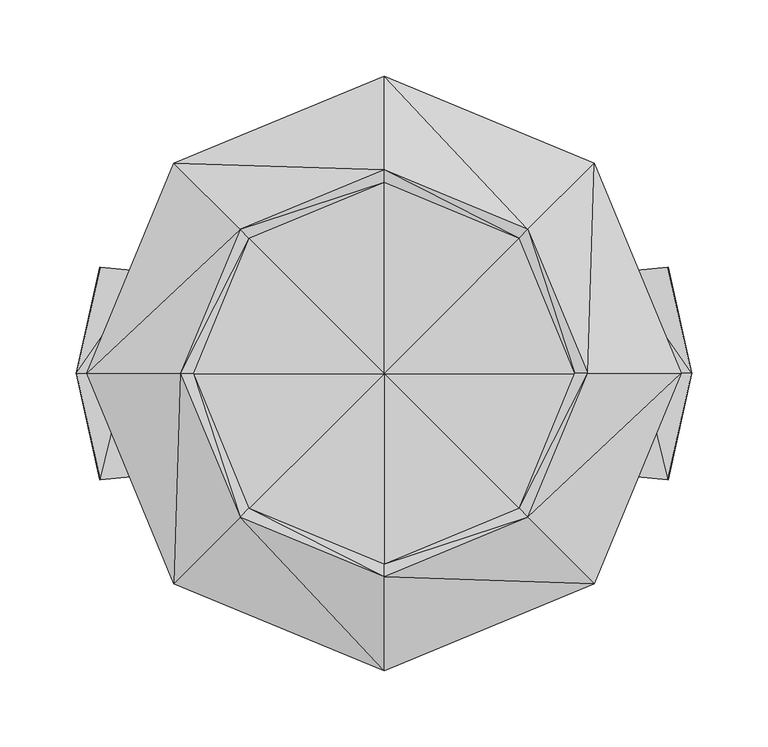
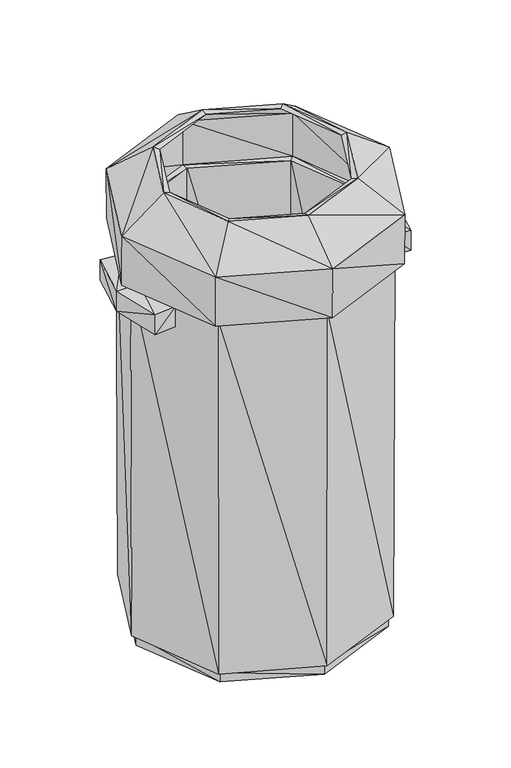
"""IFC4 building model written with IfcOpenShell, lengths in millimetres: geographic element geometry."""

from ifc_helpers import new_model, si_unit, origin, place, context, project, spatial, faceted_brep, source, transform, mapped, element, save


def geographic_element_9ad93474(model_context):
    return source(origin(), model_context, "Body", "Brep", [
        faceted_brep([(127.4739951, 127.4739951, 16.3119994), (182.2270006, 0.0, 561.70398), (180.2749932, 0.0, 16.3119994), (128.8540065, 128.8540065, 561.70398), (128.8540065, -128.8540065, 561.70398), (194.7849989, 0.0, 561.6189837), (137.7339959, -137.7329975, 561.6189837), (0.0, 180.2749932, 16.3119994), (0.0, 182.2270006, 561.70398), (137.7339959, 137.7339959, 561.6189837), (195.1179951, 0.0, 637.3900175), (137.9700005, -137.9700005, 637.3900175), (0.0, -195.1179951, 637.3900175), (0.0, -194.7849989, 561.6189837), (0.0, -133.6189955, 682.4979782), (94.483003, -94.483003, 682.4979782), (137.9700005, 137.9700005, 637.3900175), (133.6189955, 0.0, 682.4979782), (0.0, -125.3599972, 680.3359985), (88.6429995, -88.6429995, 680.3359985), (-94.483003, -94.483003, 682.4979782), (-88.6429995, -88.6429995, 680.3359985), (-129.162997, -129.162997, 634.8609924), (0.0, -182.6640069, 634.8609924), (125.3599972, 0.0, 680.3359985), (129.162997, -129.162997, 634.8609924), (-129.4779927, -129.4779927, 568.1470037), (0.0, -183.1090003, 568.1470037), (-183.1090003, 0.0, 568.1470037), (-182.6640069, 0.0, 634.8609924), (-172.7129966, 0.0, 568.4459805), (-122.1259981, -122.1259981, 568.4459805), (129.4779927, -129.4779927, 568.1470037), (0.0, -172.7129966, 568.4459805), (-172.4350005, 0.0, 28.0549992), (-121.9300032, -121.9300032, 28.0549992), (-121.9300032, 121.9300032, 28.0549992), (-122.1259981, 122.1259981, 568.4459805), (0.0, 0.0, 28.0549992), (0.0, -172.4350005, 28.0549992), (122.1259981, -122.1259981, 568.4459805), (121.9300032, -121.9300032, 28.0549992), (121.9300032, 121.9300032, 28.0549992), (172.4350005, 0.0, 28.0549992), (0.0, 172.4350005, 28.0549992), (0.0, 172.7129966, 568.4459805), (122.1259981, 122.1259981, 568.4459805), (172.7129966, 0.0, 568.4459805), (183.1090003, 0.0, 568.1470037), (129.4779927, 129.4779927, 568.1470037), (0.0, 183.1090003, 568.1470037), (-129.4779927, 129.4779927, 568.1470037), (0.0, 182.6640069, 634.8609924), (-129.162997, 129.162997, 634.8609924), (129.162997, 129.162997, 634.8609924), (182.6640069, 0.0, 634.8609924), (88.6429995, 88.6429995, 680.3359985), (0.0, 125.3599972, 680.3359985), (-88.6429995, 88.6429995, 680.3359985), (0.0, 133.6189955, 682.4979782), (-94.483003, 94.483003, 682.4979782), (94.483003, 94.483003, 682.4979782), (0.0, 195.1179951, 637.3900175), (-137.9700005, 137.9700005, 637.3900175), (-195.1179951, 0.0, 637.3900175), (-133.6189955, 0.0, 682.4979782), (-137.7339959, 137.7339959, 561.6189837), (-194.7849989, 0.0, 561.6189837), (0.0, 194.7849989, 561.6189837), (-128.8540065, 128.8540065, 561.70398), (-182.2270006, 0.0, 561.70398), (-137.7329975, -137.7339959, 561.6189837), (-128.8540065, -128.8540065, 561.70398), (-180.2749932, 0.0, 16.3119994), (-127.4739951, -127.4739951, 16.3119994), (-127.4739951, 127.4739951, 16.3119994), (-122.8590012, 122.8590012, 14.3590001), (-173.7480015, 0.0, 14.3590001), (-122.8580028, -122.8590012, 14.3590001), (0.0, -180.2749932, 16.3119994), (0.0, -173.7480015, 14.3590001), (-122.8580028, -122.8590012, 0.0), (0.0, -173.7480015, 0.0), (-173.7480015, 0.0, 0.0), (0.0, 0.0, 0.0), (122.8590012, -122.8580028, 0.0), (122.8590012, -122.8580028, 14.3590001), (173.7480015, 0.0, 0.0), (122.8590012, 122.8590012, 0.0), (0.0, 173.7480015, 0.0), (-122.8590012, 122.8590012, 0.0), (0.0, 173.7480015, 14.3590001), (122.8590012, 122.8590012, 14.3590001), (173.7480015, 0.0, 14.3590001), (127.4739951, -127.4739951, 16.3119994), (0.0, -182.2270006, 561.70398), (-137.9700005, -137.9700005, 637.3900175), (-125.3599972, 0.0, 680.3359985)], [[[0, 1, 2]], [[3, 1, 0]], [[1, 4, 2]], [[3, 5, 1]], [[1, 6, 4]], [[5, 6, 1]], [[7, 3, 0]], [[8, 3, 7]], [[9, 5, 3]], [[8, 9, 3]], [[9, 10, 5]], [[5, 11, 6]], [[10, 11, 5]], [[6, 12, 13]], [[11, 12, 6]], [[6, 13, 4]], [[11, 14, 12]], [[15, 14, 11]], [[10, 15, 11]], [[16, 10, 9]], [[16, 17, 10]], [[17, 15, 10]], [[15, 18, 14]], [[19, 18, 15]], [[17, 19, 15]], [[14, 20, 12]], [[14, 21, 20]], [[18, 21, 14]], [[18, 22, 21]], [[23, 22, 18]], [[19, 23, 18]], [[24, 19, 17]], [[25, 23, 19]], [[24, 25, 19]], [[23, 26, 22]], [[27, 26, 23]], [[25, 27, 23]], [[22, 28, 29]], [[26, 28, 22]], [[22, 29, 21]], [[26, 30, 28]], [[31, 30, 26]], [[27, 31, 26]], [[32, 27, 25]], [[33, 31, 27]], [[32, 33, 27]], [[31, 34, 30]], [[35, 34, 31]], [[33, 35, 31]], [[30, 36, 37]], [[34, 36, 30]], [[30, 37, 28]], [[34, 38, 36]], [[35, 38, 34]], [[39, 35, 33]], [[39, 38, 35]], [[40, 39, 33]], [[40, 33, 32]], [[41, 39, 40]], [[41, 38, 39]], [[42, 38, 43]], [[44, 38, 42]], [[36, 38, 44]], [[43, 38, 41]], [[36, 44, 37]], [[44, 42, 45]], [[37, 44, 45]], [[42, 43, 46]], [[45, 42, 46]], [[46, 43, 47]], [[43, 41, 47]], [[47, 41, 40]], [[48, 40, 32]], [[47, 40, 48]], [[49, 47, 48]], [[46, 47, 49]], [[50, 46, 49]], [[45, 46, 50]], [[51, 45, 50]], [[37, 45, 51]], [[50, 49, 52]], [[53, 50, 52]], [[51, 50, 53]], [[49, 48, 54]], [[52, 49, 54]], [[54, 48, 55]], [[48, 32, 55]], [[55, 32, 25]], [[56, 55, 24]], [[54, 55, 56]], [[55, 25, 24]], [[57, 54, 56]], [[52, 54, 57]], [[58, 52, 57]], [[53, 52, 58]], [[57, 56, 59]], [[60, 57, 59]], [[58, 57, 60]], [[56, 24, 61]], [[59, 56, 61]], [[61, 24, 17]], [[61, 17, 16]], [[62, 61, 16]], [[59, 61, 62]], [[63, 59, 62]], [[60, 59, 63]], [[64, 60, 63]], [[65, 60, 64]], [[65, 58, 60]], [[63, 62, 66]], [[67, 63, 66]], [[64, 63, 67]], [[62, 16, 68]], [[66, 62, 68]], [[68, 16, 9]], [[68, 9, 8]], [[69, 68, 8]], [[66, 68, 69]], [[70, 66, 69]], [[67, 66, 70]], [[71, 64, 67]], [[72, 67, 70]], [[71, 67, 72]], [[70, 69, 73]], [[74, 70, 73]], [[72, 70, 74]], [[69, 8, 75]], [[73, 69, 75]], [[75, 8, 7]], [[75, 7, 76]], [[77, 75, 76]], [[73, 75, 77]], [[78, 73, 77]], [[74, 73, 78]], [[79, 72, 74]], [[80, 74, 78]], [[79, 74, 80]], [[78, 77, 81]], [[82, 78, 81]], [[80, 78, 82]], [[77, 76, 83]], [[81, 77, 83]], [[81, 83, 84]], [[82, 81, 84]], [[85, 80, 82]], [[85, 82, 84]], [[86, 79, 80]], [[86, 80, 85]], [[87, 86, 85]], [[87, 85, 84]], [[88, 87, 84]], [[89, 88, 84]], [[90, 89, 84]], [[83, 90, 84]], [[83, 76, 90]], [[90, 91, 89]], [[76, 91, 90]], [[89, 92, 88]], [[91, 92, 89]], [[88, 93, 87]], [[92, 93, 88]], [[93, 86, 87]], [[92, 2, 93]], [[93, 94, 86]], [[2, 94, 93]], [[0, 2, 92]], [[91, 0, 92]], [[7, 0, 91]], [[76, 7, 91]], [[2, 4, 94]], [[94, 95, 79]], [[4, 95, 94]], [[94, 79, 86]], [[4, 13, 95]], [[95, 72, 79]], [[95, 71, 72]], [[13, 71, 95]], [[13, 96, 71]], [[12, 96, 13]], [[96, 64, 71]], [[96, 65, 64]], [[20, 65, 96]], [[12, 20, 96]], [[97, 58, 65]], [[20, 97, 65]], [[21, 97, 20]], [[97, 53, 58]], [[29, 53, 97]], [[21, 29, 97]], [[29, 51, 53]], [[28, 51, 29]], [[28, 37, 51]]]),
        faceted_brep([(169.2900062, 0.0, 524.3520141), (155.7080001, -66.7970031, 555.1450253), (169.2900062, 0.0, 555.1459789), (155.7080001, -66.7970031, 524.3520141), (186.4980012, -69.734998, 524.3520141), (186.3760054, -69.734998, 555.2560091), (186.4980012, 69.734998, 524.3520141), (155.7080001, 66.7970031, 524.3520141), (202.0709962, 0.0, 524.3520141), (202.0709962, 0.0, 555.1459789), (186.3760054, 69.734998, 555.2560091), (155.7080001, 66.7970031, 555.1450253)], [[[0, 1, 2]], [[3, 1, 0]], [[4, 1, 3]], [[5, 1, 4]], [[5, 2, 1]], [[6, 0, 7]], [[8, 0, 6]], [[8, 3, 0]], [[0, 2, 7]], [[4, 3, 8]], [[8, 5, 4]], [[9, 5, 8]], [[9, 2, 5]], [[10, 8, 6]], [[9, 8, 10]], [[6, 7, 10]], [[10, 7, 11]], [[7, 2, 11]], [[10, 11, 9]], [[9, 11, 2]]]),
        faceted_brep([(-169.2900062, 0.0, 524.3520141), (-155.7080001, -66.7970031, 555.1450253), (-155.7080001, -66.7970031, 524.3520141), (-169.2900062, 0.0, 555.1459789), (-186.4980012, -69.734998, 524.3520141), (-186.3760054, -69.734998, 555.2560091), (-202.0709962, 0.0, 524.3520141), (-186.4980012, 69.734998, 524.3520141), (-155.7080001, 66.7970031, 524.3520141), (-155.7080001, 66.7970031, 555.1450253), (-202.0709962, 0.0, 555.1459789), (-186.3760054, 69.734998, 555.2560091)], [[[0, 1, 2]], [[3, 1, 0]], [[4, 1, 5]], [[2, 1, 4]], [[1, 3, 5]], [[6, 2, 4]], [[0, 2, 6]], [[7, 0, 6]], [[8, 0, 7]], [[8, 3, 0]], [[3, 9, 10]], [[5, 3, 10]], [[9, 3, 8]], [[6, 5, 10]], [[4, 5, 6]], [[11, 6, 10]], [[7, 6, 11]], [[11, 8, 7]], [[9, 8, 11]], [[10, 9, 11]]]),
    ])


if __name__ == "__main__":
    model = new_model("IFC4")
    model_context = context("Model", 3, world=origin())
    ifc_project = project(units=[si_unit("LENGTHUNIT", "METRE", prefix="MILLI")], contexts=[model_context])
    site = spatial("IfcSite", under=ifc_project)
    building = spatial("IfcBuilding", under=site)
    placement = place(None, origin())
    geographic_element_shape = geographic_element_9ad93474(model_context)
    element("IfcGeographicElement", 1, at=placement, inside=building, context=model_context, shape_type="MappedRepresentation", body=[
        mapped(geographic_element_shape, transform((0.0, 0.0, 0.0), x_axis=(1.0, 0.0, 0.0), y_axis=(0.0, 1.0, 0.0), z_axis=(0.0, 0.0, 1.0))),
    ])
    save(model, "model.ifc")
